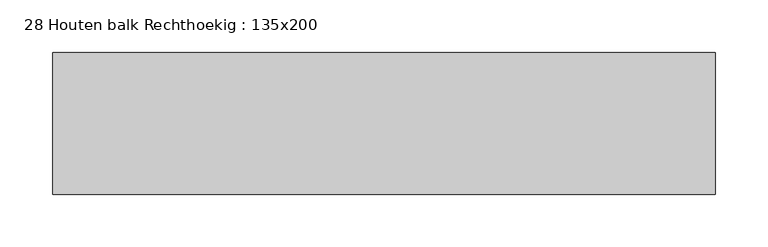
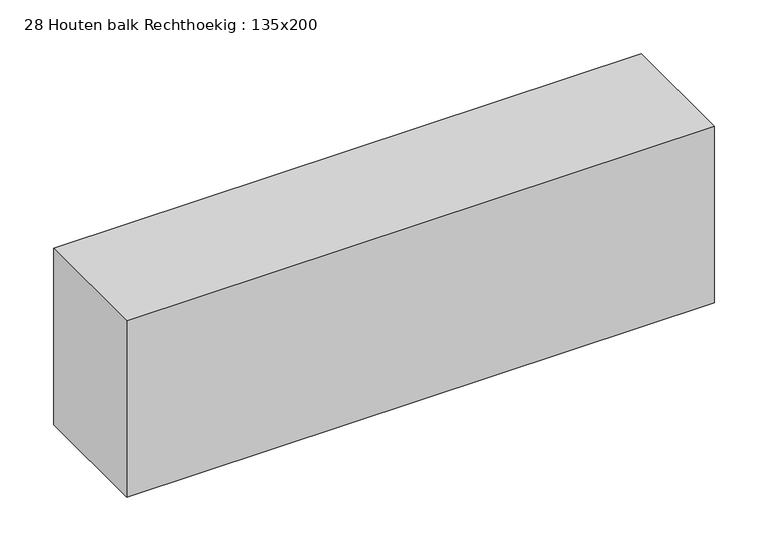
"""IFC4 building model written with IfcOpenShell, lengths in millimetres: beam geometry, 28 Houten balk Rechthoekig : 135x200."""

import ifcopenshell
import ifcopenshell.guid

model = None  # the IFC model being written
_history = None  # IfcOwnerHistory: only IFC2X3 demands one
_inside = {}  # id of a spatial element -> (the spatial element, [elements in it])
_under = {}  # id of a project, library or spatial element -> (it, [spatial elements below it])
_declared = {}  # id of a project -> (the project, [libraries it declares])
_typed = {}  # id of a type object -> (the type object, [elements of that type])
_made_of = {}  # id of a material, layer set ... -> (it, [elements and type objects made of it])


def new_model(schema):
    """Start an empty IFC model of exactly this schema.

    Asked for "IFC4X3", IfcOpenShell would pick the latest addendum, in which some entities
    have other attributes; the version numbers below select the first issue.
    IFC2X3 requires an IfcOwnerHistory on every rooted entity: one is made here for all.
    """
    global model, _history
    if schema == "IFC4X3":
        model = ifcopenshell.file(schema_version=(4, 3, 0, 0))
    else:
        model = ifcopenshell.file(schema=schema)
    _inside.clear()
    _under.clear()
    _declared.clear()
    _typed.clear()
    _made_of.clear()
    _history = None
    if model.schema == "IFC2X3":
        org = make("IfcOrganization", Name="unknown")
        user = make(
            "IfcPersonAndOrganization",
            ThePerson=make("IfcPerson", FamilyName="unknown"),
            TheOrganization=org,
        )
        app = make(
            "IfcApplication",
            ApplicationDeveloper=org,
            Version="unknown",
            ApplicationFullName="unknown",
            ApplicationIdentifier="unknown",
        )
        _history = make(
            "IfcOwnerHistory",
            OwningUser=user,
            OwningApplication=app,
            ChangeAction="ADDED",
            CreationDate=0,
        )
    return model


def make(cls, **values):
    """One entity of the class cls with the attributes given. An attribute that is None is left unset."""
    return model.create_entity(
        cls, **{name: value for name, value in values.items() if value is not None}
    )


def rooted(cls, **values):
    """An entity with a GlobalId (a new one), such as an element, a storey or a relation."""
    return make(cls, GlobalId=ifcopenshell.guid.new(), OwnerHistory=_history, **values)


def si_unit(unit_type, name, prefix=None):
    """IfcSIUnit, for example si_unit("LENGTHUNIT", "METRE", prefix="MILLI")."""
    return make("IfcSIUnit", UnitType=unit_type, Prefix=prefix, Name=name)


def assignment(units):
    """IfcUnitAssignment: the units of a project."""
    return None if units is None else make("IfcUnitAssignment", Units=units)


def point(xyz):
    """IfcCartesianPoint."""
    return None if xyz is None else make("IfcCartesianPoint", Coordinates=xyz)


def direction(xyz):
    """IfcDirection."""
    return None if xyz is None else make("IfcDirection", DirectionRatios=xyz)


def frame(location, z_axis=None, x_axis=None):
    """IfcAxis2Placement3D, a coordinate frame: its origin and axes. An axis left out is left unset."""
    return make(
        "IfcAxis2Placement3D",
        Location=point(location),
        Axis=direction(z_axis),
        RefDirection=direction(x_axis),
    )


def origin():
    """The frame at (0, 0, 0) with its axes left unset."""
    return frame((0.0, 0.0, 0.0))


def place(relative_to, where):
    """IfcLocalPlacement: puts the frame where relative to a parent placement (None: the world)."""
    return make(
        "IfcLocalPlacement", PlacementRelTo=relative_to, RelativePlacement=where
    )


def context(
    kind, dimensions, precision=None, world=None, true_north=None, identifier=None
):
    """IfcGeometricRepresentationContext, for example the 3D "Model" context."""
    return make(
        "IfcGeometricRepresentationContext",
        ContextIdentifier=identifier,
        ContextType=kind,
        CoordinateSpaceDimension=dimensions,
        Precision=precision,
        WorldCoordinateSystem=world,
        TrueNorth=true_north,
    )


def project(units=None, contexts=None):
    """IfcProject with its units and contexts."""
    return rooted(
        "IfcProject",
        Name="project",
        RepresentationContexts=contexts,
        UnitsInContext=assignment(units),
    )


def spatial(cls, under=None, at=None, **own):
    """A site, building, storey or space (cls), placed at a placement, below another one or the project."""
    s = rooted(cls, ObjectPlacement=at, **own)
    if under is not None:
        _under.setdefault(under.id(), (under, []))[1].append(s)
    return s


def polyline(points):
    """IfcPolyline through the points."""
    return make("IfcPolyline", Points=[point(p) for p in points])


def outline(outer, holes=None, kind="AREA"):
    """IfcArbitraryClosedProfileDef: a profile drawn as a closed curve; with holes, ...WithVoids."""
    if holes is None:
        return make("IfcArbitraryClosedProfileDef", ProfileType=kind, OuterCurve=outer)
    return make(
        "IfcArbitraryProfileDefWithVoids",
        ProfileType=kind,
        OuterCurve=outer,
        InnerCurves=holes,
    )


def extrude(swept, where, along, depth):
    """IfcExtrudedAreaSolid: the profile swept, set in the frame where, extruded along a direction by depth."""
    return make(
        "IfcExtrudedAreaSolid",
        SweptArea=swept,
        Position=where,
        ExtrudedDirection=direction(along),
        Depth=depth,
    )


def shape(context_of_items, identifier, shape_type, items):
    """IfcShapeRepresentation: the items that make up one representation, for example the "Body"."""
    return make(
        "IfcShapeRepresentation",
        ContextOfItems=context_of_items,
        RepresentationIdentifier=identifier,
        RepresentationType=shape_type,
        Items=items,
    )


def source(mapping_origin, context_of_items, identifier, shape_type, items):
    """IfcRepresentationMap: a shape defined once, which mapped items show again and again."""
    return make(
        "IfcRepresentationMap",
        MappingOrigin=mapping_origin,
        MappedRepresentation=shape(context_of_items, identifier, shape_type, items),
    )


def transform(
    local_origin,
    x_axis=None,
    y_axis=None,
    z_axis=None,
    scale=None,
    scale2=None,
    scale3=None,
    uniform=True,
):
    """IfcCartesianTransformationOperator3D, or its non-uniform kind. x_axis, y_axis, z_axis: its Axis1, 2, 3."""
    if uniform:
        return make(
            "IfcCartesianTransformationOperator3D",
            Axis1=direction(x_axis),
            Axis2=direction(y_axis),
            LocalOrigin=point(local_origin),
            Scale=scale,
            Axis3=direction(z_axis),
        )
    return make(
        "IfcCartesianTransformationOperator3DnonUniform",
        Axis1=direction(x_axis),
        Axis2=direction(y_axis),
        LocalOrigin=point(local_origin),
        Scale=scale,
        Axis3=direction(z_axis),
        Scale2=scale2,
        Scale3=scale3,
    )


def mapped(mapping_source, mapping_target):
    """IfcMappedItem: shows the shape of a source again, moved by a transform."""
    return make(
        "IfcMappedItem", MappingSource=mapping_source, MappingTarget=mapping_target
    )


def made_of(thing, what):
    """Note that an element or type object is made of a material, layer set ...; save() writes the relation."""
    if what is not None:
        _made_of.setdefault(what.id(), (what, []))[1].append(thing)
    return thing


def element(
    cls,
    number,
    at=None,
    inside=None,
    cuts=None,
    type_object=None,
    material=None,
    context=None,
    identifier="Body",
    shape_type=None,
    held_by="IfcProductDefinitionShape",
    body=None,
    shapes=None,
    **own,
):
    """One element of the class cls, such as IfcWall. Its Tag is "e" and its number.

    at: its placement. inside: the storey or other place that contains it. cuts: it is an
    opening in that element (IfcRelVoidsElement). A single representation is given by context,
    identifier, shape_type and body (its items); several are given by shapes. held_by: the class
    of the entity that holds the representations. save() writes the other relations.
    """
    e = rooted(cls, Tag="e%d" % number, ObjectPlacement=at, **own)
    if body is not None:
        shapes = [shape(context, identifier, shape_type, body)]
    if shapes is not None:
        e.Representation = make(held_by, Representations=shapes)
    if inside is not None:
        _inside.setdefault(inside.id(), (inside, []))[1].append(e)
    if cuts is not None:
        rooted(
            "IfcRelVoidsElement", RelatingBuildingElement=cuts, RelatedOpeningElement=e
        )
    if type_object is not None:
        _typed.setdefault(type_object.id(), (type_object, []))[1].append(e)
    return made_of(e, material)


def aggregate(whole, parts):
    """IfcRelAggregates: a whole, such as a stair, and the parts it consists of."""
    return rooted("IfcRelAggregates", RelatingObject=whole, RelatedObjects=parts)


def save(model, path):
    """Write the relations noted so far, then the file.

    IfcRelAggregates (storeys below a building ...), IfcRelContainedInSpatialStructure (elements
    in a storey), IfcRelDefinesByType, IfcRelAssociatesMaterial and IfcRelDeclares: one each for
    every whole, place, type object, material and project.
    """
    for whole, parts in _under.values():
        aggregate(whole, parts)
    for where, things in _inside.values():
        rooted(
            "IfcRelContainedInSpatialStructure",
            RelatedElements=things,
            RelatingStructure=where,
        )
    for kind, things in _typed.values():
        rooted("IfcRelDefinesByType", RelatedObjects=things, RelatingType=kind)
    for what, things in _made_of.values():
        rooted("IfcRelAssociatesMaterial", RelatedObjects=things, RelatingMaterial=what)
    for by, libraries in _declared.values():
        rooted("IfcRelDeclares", RelatingContext=by, RelatedDefinitions=libraries)
    model.write(path)


def beam_28_houten_balk_rechthoekig_135x200_5259aacb(model_context):
    return source(origin(), model_context, "Body", "SweptSolid", [
        extrude(outline(polyline([(315.0, -67.5), (-315.0, -67.5), (-315.0, 67.5), (315.0, 67.5), (315.0, -67.5)])), frame((0.0, 0.0, -100.0), z_axis=(0.0, 0.0, 1.0), x_axis=(1.0, 0.0, 0.0)), (0.0, 0.0, 1.0), 200.0),
    ])


if __name__ == "__main__":
    model = new_model("IFC4")
    model_context = context("Model", 3, world=origin())
    ifc_project = project(units=[si_unit("LENGTHUNIT", "METRE", prefix="MILLI")], contexts=[model_context])
    site = spatial("IfcSite", under=ifc_project)
    building = spatial("IfcBuilding", under=site)
    placement = place(None, origin())
    beam_28_houten_balk_rechthoekig_135x200_shape = beam_28_houten_balk_rechthoekig_135x200_5259aacb(model_context)
    element("IfcBeam", 1, ObjectType="28 Houten balk Rechthoekig : 135x200", at=placement, inside=building, context=model_context, shape_type="MappedRepresentation", body=[
        mapped(beam_28_houten_balk_rechthoekig_135x200_shape, transform((0.0, 0.0, 0.0), x_axis=(1.0, 0.0, 0.0), y_axis=(0.0, 1.0, 0.0), z_axis=(0.0, 0.0, 1.0))),
    ])
    save(model, "model.ifc")
